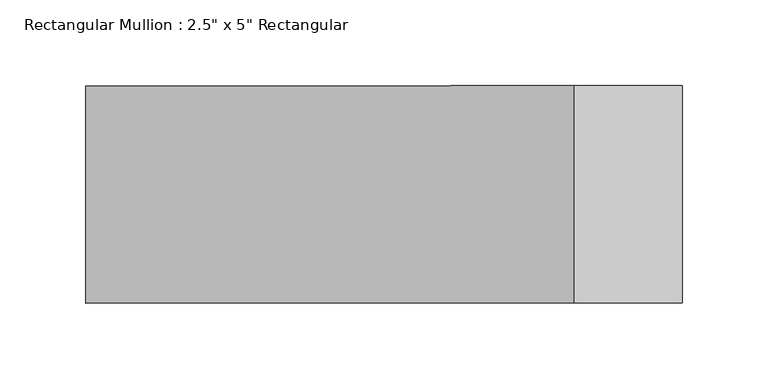
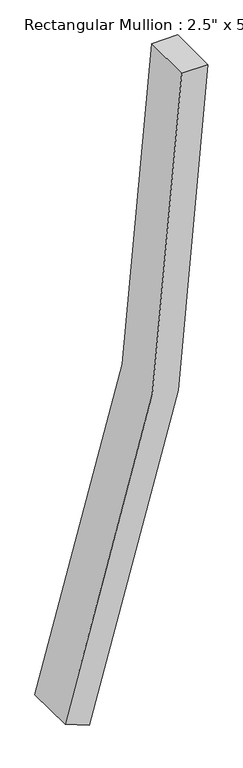
"""IFC4 building model written with IfcOpenShell, lengths in millimetres: member geometry."""

import ifcopenshell
import ifcopenshell.guid

model = None  # the IFC model being written
_history = None  # IfcOwnerHistory: only IFC2X3 demands one
_inside = {}  # id of a spatial element -> (the spatial element, [elements in it])
_under = {}  # id of a project, library or spatial element -> (it, [spatial elements below it])
_declared = {}  # id of a project -> (the project, [libraries it declares])
_typed = {}  # id of a type object -> (the type object, [elements of that type])
_made_of = {}  # id of a material, layer set ... -> (it, [elements and type objects made of it])


def new_model(schema):
    """Start an empty IFC model of exactly this schema.

    Asked for "IFC4X3", IfcOpenShell would pick the latest addendum, in which some entities
    have other attributes; the version numbers below select the first issue.
    IFC2X3 requires an IfcOwnerHistory on every rooted entity: one is made here for all.
    """
    global model, _history
    if schema == "IFC4X3":
        model = ifcopenshell.file(schema_version=(4, 3, 0, 0))
    else:
        model = ifcopenshell.file(schema=schema)
    _inside.clear()
    _under.clear()
    _declared.clear()
    _typed.clear()
    _made_of.clear()
    _history = None
    if model.schema == "IFC2X3":
        org = make("IfcOrganization", Name="unknown")
        user = make(
            "IfcPersonAndOrganization",
            ThePerson=make("IfcPerson", FamilyName="unknown"),
            TheOrganization=org,
        )
        app = make(
            "IfcApplication",
            ApplicationDeveloper=org,
            Version="unknown",
            ApplicationFullName="unknown",
            ApplicationIdentifier="unknown",
        )
        _history = make(
            "IfcOwnerHistory",
            OwningUser=user,
            OwningApplication=app,
            ChangeAction="ADDED",
            CreationDate=0,
        )
    return model


def make(cls, **values):
    """One entity of the class cls with the attributes given. An attribute that is None is left unset."""
    return model.create_entity(
        cls, **{name: value for name, value in values.items() if value is not None}
    )


def rooted(cls, **values):
    """An entity with a GlobalId (a new one), such as an element, a storey or a relation."""
    return make(cls, GlobalId=ifcopenshell.guid.new(), OwnerHistory=_history, **values)


def si_unit(unit_type, name, prefix=None):
    """IfcSIUnit, for example si_unit("LENGTHUNIT", "METRE", prefix="MILLI")."""
    return make("IfcSIUnit", UnitType=unit_type, Prefix=prefix, Name=name)


def assignment(units):
    """IfcUnitAssignment: the units of a project."""
    return None if units is None else make("IfcUnitAssignment", Units=units)


def point(xyz):
    """IfcCartesianPoint."""
    return None if xyz is None else make("IfcCartesianPoint", Coordinates=xyz)


def direction(xyz):
    """IfcDirection."""
    return None if xyz is None else make("IfcDirection", DirectionRatios=xyz)


def frame(location, z_axis=None, x_axis=None):
    """IfcAxis2Placement3D, a coordinate frame: its origin and axes. An axis left out is left unset."""
    return make(
        "IfcAxis2Placement3D",
        Location=point(location),
        Axis=direction(z_axis),
        RefDirection=direction(x_axis),
    )


def frame_2d(location, x_axis=None):
    """IfcAxis2Placement2D, a coordinate frame in the plane: its origin and x axis."""
    return make(
        "IfcAxis2Placement2D", Location=point(location), RefDirection=direction(x_axis)
    )


def origin():
    """The frame at (0, 0, 0) with its axes left unset."""
    return frame((0.0, 0.0, 0.0))


def place(relative_to, where):
    """IfcLocalPlacement: puts the frame where relative to a parent placement (None: the world)."""
    return make(
        "IfcLocalPlacement", PlacementRelTo=relative_to, RelativePlacement=where
    )


def context(
    kind, dimensions, precision=None, world=None, true_north=None, identifier=None
):
    """IfcGeometricRepresentationContext, for example the 3D "Model" context."""
    return make(
        "IfcGeometricRepresentationContext",
        ContextIdentifier=identifier,
        ContextType=kind,
        CoordinateSpaceDimension=dimensions,
        Precision=precision,
        WorldCoordinateSystem=world,
        TrueNorth=true_north,
    )


def project(units=None, contexts=None):
    """IfcProject with its units and contexts."""
    return rooted(
        "IfcProject",
        Name="project",
        RepresentationContexts=contexts,
        UnitsInContext=assignment(units),
    )


def spatial(cls, under=None, at=None, **own):
    """A site, building, storey or space (cls), placed at a placement, below another one or the project."""
    s = rooted(cls, ObjectPlacement=at, **own)
    if under is not None:
        _under.setdefault(under.id(), (under, []))[1].append(s)
    return s


def polyline(points):
    """IfcPolyline through the points."""
    return make("IfcPolyline", Points=[point(p) for p in points])


def circle_curve(where, radius):
    """IfcCircle in the frame where."""
    return make("IfcCircle", Position=where, Radius=radius)


def trimmed(basis, trim1, trim2, sense, master):
    """IfcTrimmedCurve: the piece of a basis curve between two trims."""
    return make(
        "IfcTrimmedCurve",
        BasisCurve=basis,
        Trim1=trim1,
        Trim2=trim2,
        SenseAgreement=sense,
        MasterRepresentation=master,
    )


def segment(curve, same_sense, transition):
    """IfcCompositeCurveSegment."""
    return make(
        "IfcCompositeCurveSegment",
        Transition=transition,
        SameSense=same_sense,
        ParentCurve=curve,
    )


def composite_curve(segments, self_intersect=None):
    """IfcCompositeCurve: segments joined end to end."""
    return make("IfcCompositeCurve", Segments=segments, SelfIntersect=self_intersect)


def outline(outer, holes=None, kind="AREA"):
    """IfcArbitraryClosedProfileDef: a profile drawn as a closed curve; with holes, ...WithVoids."""
    if holes is None:
        return make("IfcArbitraryClosedProfileDef", ProfileType=kind, OuterCurve=outer)
    return make(
        "IfcArbitraryProfileDefWithVoids",
        ProfileType=kind,
        OuterCurve=outer,
        InnerCurves=holes,
    )


def extrude(swept, where, along, depth):
    """IfcExtrudedAreaSolid: the profile swept, set in the frame where, extruded along a direction by depth."""
    return make(
        "IfcExtrudedAreaSolid",
        SweptArea=swept,
        Position=where,
        ExtrudedDirection=direction(along),
        Depth=depth,
    )


def shape(context_of_items, identifier, shape_type, items):
    """IfcShapeRepresentation: the items that make up one representation, for example the "Body"."""
    return make(
        "IfcShapeRepresentation",
        ContextOfItems=context_of_items,
        RepresentationIdentifier=identifier,
        RepresentationType=shape_type,
        Items=items,
    )


def source(mapping_origin, context_of_items, identifier, shape_type, items):
    """IfcRepresentationMap: a shape defined once, which mapped items show again and again."""
    return make(
        "IfcRepresentationMap",
        MappingOrigin=mapping_origin,
        MappedRepresentation=shape(context_of_items, identifier, shape_type, items),
    )


def transform(
    local_origin,
    x_axis=None,
    y_axis=None,
    z_axis=None,
    scale=None,
    scale2=None,
    scale3=None,
    uniform=True,
):
    """IfcCartesianTransformationOperator3D, or its non-uniform kind. x_axis, y_axis, z_axis: its Axis1, 2, 3."""
    if uniform:
        return make(
            "IfcCartesianTransformationOperator3D",
            Axis1=direction(x_axis),
            Axis2=direction(y_axis),
            LocalOrigin=point(local_origin),
            Scale=scale,
            Axis3=direction(z_axis),
        )
    return make(
        "IfcCartesianTransformationOperator3DnonUniform",
        Axis1=direction(x_axis),
        Axis2=direction(y_axis),
        LocalOrigin=point(local_origin),
        Scale=scale,
        Axis3=direction(z_axis),
        Scale2=scale2,
        Scale3=scale3,
    )


def mapped(mapping_source, mapping_target):
    """IfcMappedItem: shows the shape of a source again, moved by a transform."""
    return make(
        "IfcMappedItem", MappingSource=mapping_source, MappingTarget=mapping_target
    )


def made_of(thing, what):
    """Note that an element or type object is made of a material, layer set ...; save() writes the relation."""
    if what is not None:
        _made_of.setdefault(what.id(), (what, []))[1].append(thing)
    return thing


def element(
    cls,
    number,
    at=None,
    inside=None,
    cuts=None,
    type_object=None,
    material=None,
    context=None,
    identifier="Body",
    shape_type=None,
    held_by="IfcProductDefinitionShape",
    body=None,
    shapes=None,
    **own,
):
    """One element of the class cls, such as IfcWall. Its Tag is "e" and its number.

    at: its placement. inside: the storey or other place that contains it. cuts: it is an
    opening in that element (IfcRelVoidsElement). A single representation is given by context,
    identifier, shape_type and body (its items); several are given by shapes. held_by: the class
    of the entity that holds the representations. save() writes the other relations.
    """
    e = rooted(cls, Tag="e%d" % number, ObjectPlacement=at, **own)
    if body is not None:
        shapes = [shape(context, identifier, shape_type, body)]
    if shapes is not None:
        e.Representation = make(held_by, Representations=shapes)
    if inside is not None:
        _inside.setdefault(inside.id(), (inside, []))[1].append(e)
    if cuts is not None:
        rooted(
            "IfcRelVoidsElement", RelatingBuildingElement=cuts, RelatedOpeningElement=e
        )
    if type_object is not None:
        _typed.setdefault(type_object.id(), (type_object, []))[1].append(e)
    return made_of(e, material)


def aggregate(whole, parts):
    """IfcRelAggregates: a whole, such as a stair, and the parts it consists of."""
    return rooted("IfcRelAggregates", RelatingObject=whole, RelatedObjects=parts)


def save(model, path):
    """Write the relations noted so far, then the file.

    IfcRelAggregates (storeys below a building ...), IfcRelContainedInSpatialStructure (elements
    in a storey), IfcRelDefinesByType, IfcRelAssociatesMaterial and IfcRelDeclares: one each for
    every whole, place, type object, material and project.
    """
    for whole, parts in _under.values():
        aggregate(whole, parts)
    for where, things in _inside.values():
        rooted(
            "IfcRelContainedInSpatialStructure",
            RelatedElements=things,
            RelatingStructure=where,
        )
    for kind, things in _typed.values():
        rooted("IfcRelDefinesByType", RelatedObjects=things, RelatingType=kind)
    for what, things in _made_of.values():
        rooted("IfcRelAssociatesMaterial", RelatedObjects=things, RelatingMaterial=what)
    for by, libraries in _declared.values():
        rooted("IfcRelDeclares", RelatingContext=by, RelatedDefinitions=libraries)
    model.write(path)


def member_bd79da67(model_context):
    return source(origin(), model_context, "Body", "SweptSolid", [
        extrude(outline(composite_curve([segment(trimmed(circle_curve(frame_2d((0.0, -4572.0)), 4572.0), [point((-1599.2909057, -288.8408156))], [point((0.0, 0.0))], False, "CARTESIAN"), True, "CONTINUOUS"), segment(polyline([(0.0, 0.0), (0.0, -63.5)]), True, "CONTINUOUS"), segment(trimmed(circle_curve(frame_2d((0.0, -4572.0)), 4508.5), [point((0.0, -63.5))], [point((-1577.078532, -348.3291376))], True, "CARTESIAN"), True, "CONTINUOUS"), segment(polyline([(-1577.078532, -348.3291376), (-1599.2909057, -288.8408156)]), True, "CONTINUOUS")], self_intersect=False)), frame((0.0, -63.5, 0.0), z_axis=(0.0, 1.0, 0.0), x_axis=(0.0, 0.0, 1.0)), (0.0, 0.0, 1.0), 127.0),
    ])


if __name__ == "__main__":
    model = new_model("IFC4")
    model_context = context("Model", 3, world=origin())
    ifc_project = project(units=[si_unit("LENGTHUNIT", "METRE", prefix="MILLI")], contexts=[model_context])
    site = spatial("IfcSite", under=ifc_project)
    building = spatial("IfcBuilding", under=site)
    placement = place(None, origin())
    member_shape = member_bd79da67(model_context)
    element("IfcMember", 1, ObjectType="Rectangular Mullion : 2.5\" x 5\" Rectangular", at=placement, inside=building, context=model_context, shape_type="MappedRepresentation", body=[
        mapped(member_shape, transform((0.0, 0.0, 0.0), x_axis=(1.0, 0.0, 0.0), y_axis=(0.0, 1.0, 0.0), z_axis=(0.0, 0.0, 1.0))),
    ])
    save(model, "model.ifc")
